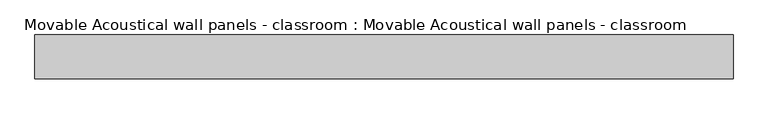
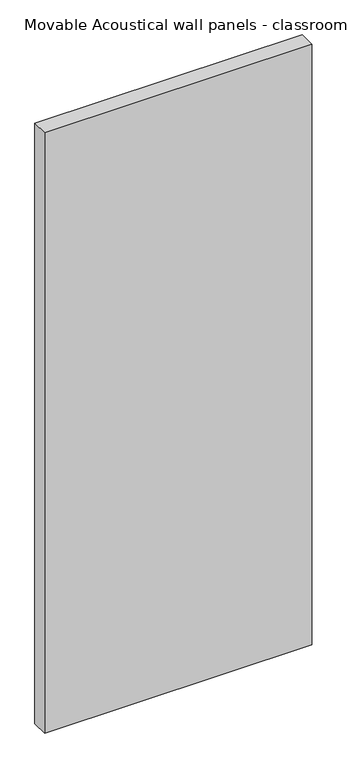
"""IFC4 building model written with IfcOpenShell, lengths in millimetres: proxy geometry, Movable Acoustical wall panels - classroom : Movable Acoustical wall panels - classroom."""

import ifcopenshell
import ifcopenshell.guid

model = None  # the IFC model being written
_history = None  # IfcOwnerHistory: only IFC2X3 demands one
_inside = {}  # id of a spatial element -> (the spatial element, [elements in it])
_under = {}  # id of a project, library or spatial element -> (it, [spatial elements below it])
_declared = {}  # id of a project -> (the project, [libraries it declares])
_typed = {}  # id of a type object -> (the type object, [elements of that type])
_made_of = {}  # id of a material, layer set ... -> (it, [elements and type objects made of it])


def new_model(schema):
    """Start an empty IFC model of exactly this schema.

    Asked for "IFC4X3", IfcOpenShell would pick the latest addendum, in which some entities
    have other attributes; the version numbers below select the first issue.
    IFC2X3 requires an IfcOwnerHistory on every rooted entity: one is made here for all.
    """
    global model, _history
    if schema == "IFC4X3":
        model = ifcopenshell.file(schema_version=(4, 3, 0, 0))
    else:
        model = ifcopenshell.file(schema=schema)
    _inside.clear()
    _under.clear()
    _declared.clear()
    _typed.clear()
    _made_of.clear()
    _history = None
    if model.schema == "IFC2X3":
        org = make("IfcOrganization", Name="unknown")
        user = make(
            "IfcPersonAndOrganization",
            ThePerson=make("IfcPerson", FamilyName="unknown"),
            TheOrganization=org,
        )
        app = make(
            "IfcApplication",
            ApplicationDeveloper=org,
            Version="unknown",
            ApplicationFullName="unknown",
            ApplicationIdentifier="unknown",
        )
        _history = make(
            "IfcOwnerHistory",
            OwningUser=user,
            OwningApplication=app,
            ChangeAction="ADDED",
            CreationDate=0,
        )
    return model


def make(cls, **values):
    """One entity of the class cls with the attributes given. An attribute that is None is left unset."""
    return model.create_entity(
        cls, **{name: value for name, value in values.items() if value is not None}
    )


def rooted(cls, **values):
    """An entity with a GlobalId (a new one), such as an element, a storey or a relation."""
    return make(cls, GlobalId=ifcopenshell.guid.new(), OwnerHistory=_history, **values)


def si_unit(unit_type, name, prefix=None):
    """IfcSIUnit, for example si_unit("LENGTHUNIT", "METRE", prefix="MILLI")."""
    return make("IfcSIUnit", UnitType=unit_type, Prefix=prefix, Name=name)


def assignment(units):
    """IfcUnitAssignment: the units of a project."""
    return None if units is None else make("IfcUnitAssignment", Units=units)


def point(xyz):
    """IfcCartesianPoint."""
    return None if xyz is None else make("IfcCartesianPoint", Coordinates=xyz)


def direction(xyz):
    """IfcDirection."""
    return None if xyz is None else make("IfcDirection", DirectionRatios=xyz)


def frame(location, z_axis=None, x_axis=None):
    """IfcAxis2Placement3D, a coordinate frame: its origin and axes. An axis left out is left unset."""
    return make(
        "IfcAxis2Placement3D",
        Location=point(location),
        Axis=direction(z_axis),
        RefDirection=direction(x_axis),
    )


def origin():
    """The frame at (0, 0, 0) with its axes left unset."""
    return frame((0.0, 0.0, 0.0))


def origin_with_axes():
    """The frame at (0, 0, 0) with the z axis (0, 0, 1) and the x axis (1, 0, 0) written out."""
    return frame((0.0, 0.0, 0.0), z_axis=(0.0, 0.0, 1.0), x_axis=(1.0, 0.0, 0.0))


def place(relative_to, where):
    """IfcLocalPlacement: puts the frame where relative to a parent placement (None: the world)."""
    return make(
        "IfcLocalPlacement", PlacementRelTo=relative_to, RelativePlacement=where
    )


def context(
    kind, dimensions, precision=None, world=None, true_north=None, identifier=None
):
    """IfcGeometricRepresentationContext, for example the 3D "Model" context."""
    return make(
        "IfcGeometricRepresentationContext",
        ContextIdentifier=identifier,
        ContextType=kind,
        CoordinateSpaceDimension=dimensions,
        Precision=precision,
        WorldCoordinateSystem=world,
        TrueNorth=true_north,
    )


def project(units=None, contexts=None):
    """IfcProject with its units and contexts."""
    return rooted(
        "IfcProject",
        Name="project",
        RepresentationContexts=contexts,
        UnitsInContext=assignment(units),
    )


def spatial(cls, under=None, at=None, **own):
    """A site, building, storey or space (cls), placed at a placement, below another one or the project."""
    s = rooted(cls, ObjectPlacement=at, **own)
    if under is not None:
        _under.setdefault(under.id(), (under, []))[1].append(s)
    return s


def polyline(points):
    """IfcPolyline through the points."""
    return make("IfcPolyline", Points=[point(p) for p in points])


def outline(outer, holes=None, kind="AREA"):
    """IfcArbitraryClosedProfileDef: a profile drawn as a closed curve; with holes, ...WithVoids."""
    if holes is None:
        return make("IfcArbitraryClosedProfileDef", ProfileType=kind, OuterCurve=outer)
    return make(
        "IfcArbitraryProfileDefWithVoids",
        ProfileType=kind,
        OuterCurve=outer,
        InnerCurves=holes,
    )


def extrude(swept, where, along, depth):
    """IfcExtrudedAreaSolid: the profile swept, set in the frame where, extruded along a direction by depth."""
    return make(
        "IfcExtrudedAreaSolid",
        SweptArea=swept,
        Position=where,
        ExtrudedDirection=direction(along),
        Depth=depth,
    )


def shape(context_of_items, identifier, shape_type, items):
    """IfcShapeRepresentation: the items that make up one representation, for example the "Body"."""
    return make(
        "IfcShapeRepresentation",
        ContextOfItems=context_of_items,
        RepresentationIdentifier=identifier,
        RepresentationType=shape_type,
        Items=items,
    )


def source(mapping_origin, context_of_items, identifier, shape_type, items):
    """IfcRepresentationMap: a shape defined once, which mapped items show again and again."""
    return make(
        "IfcRepresentationMap",
        MappingOrigin=mapping_origin,
        MappedRepresentation=shape(context_of_items, identifier, shape_type, items),
    )


def transform(
    local_origin,
    x_axis=None,
    y_axis=None,
    z_axis=None,
    scale=None,
    scale2=None,
    scale3=None,
    uniform=True,
):
    """IfcCartesianTransformationOperator3D, or its non-uniform kind. x_axis, y_axis, z_axis: its Axis1, 2, 3."""
    if uniform:
        return make(
            "IfcCartesianTransformationOperator3D",
            Axis1=direction(x_axis),
            Axis2=direction(y_axis),
            LocalOrigin=point(local_origin),
            Scale=scale,
            Axis3=direction(z_axis),
        )
    return make(
        "IfcCartesianTransformationOperator3DnonUniform",
        Axis1=direction(x_axis),
        Axis2=direction(y_axis),
        LocalOrigin=point(local_origin),
        Scale=scale,
        Axis3=direction(z_axis),
        Scale2=scale2,
        Scale3=scale3,
    )


def mapped(mapping_source, mapping_target):
    """IfcMappedItem: shows the shape of a source again, moved by a transform."""
    return make(
        "IfcMappedItem", MappingSource=mapping_source, MappingTarget=mapping_target
    )


def made_of(thing, what):
    """Note that an element or type object is made of a material, layer set ...; save() writes the relation."""
    if what is not None:
        _made_of.setdefault(what.id(), (what, []))[1].append(thing)
    return thing


def element(
    cls,
    number,
    at=None,
    inside=None,
    cuts=None,
    type_object=None,
    material=None,
    context=None,
    identifier="Body",
    shape_type=None,
    held_by="IfcProductDefinitionShape",
    body=None,
    shapes=None,
    **own,
):
    """One element of the class cls, such as IfcWall. Its Tag is "e" and its number.

    at: its placement. inside: the storey or other place that contains it. cuts: it is an
    opening in that element (IfcRelVoidsElement). A single representation is given by context,
    identifier, shape_type and body (its items); several are given by shapes. held_by: the class
    of the entity that holds the representations. save() writes the other relations.
    """
    e = rooted(cls, Tag="e%d" % number, ObjectPlacement=at, **own)
    if body is not None:
        shapes = [shape(context, identifier, shape_type, body)]
    if shapes is not None:
        e.Representation = make(held_by, Representations=shapes)
    if inside is not None:
        _inside.setdefault(inside.id(), (inside, []))[1].append(e)
    if cuts is not None:
        rooted(
            "IfcRelVoidsElement", RelatingBuildingElement=cuts, RelatedOpeningElement=e
        )
    if type_object is not None:
        _typed.setdefault(type_object.id(), (type_object, []))[1].append(e)
    return made_of(e, material)


def aggregate(whole, parts):
    """IfcRelAggregates: a whole, such as a stair, and the parts it consists of."""
    return rooted("IfcRelAggregates", RelatingObject=whole, RelatedObjects=parts)


def save(model, path):
    """Write the relations noted so far, then the file.

    IfcRelAggregates (storeys below a building ...), IfcRelContainedInSpatialStructure (elements
    in a storey), IfcRelDefinesByType, IfcRelAssociatesMaterial and IfcRelDeclares: one each for
    every whole, place, type object, material and project.
    """
    for whole, parts in _under.values():
        aggregate(whole, parts)
    for where, things in _inside.values():
        rooted(
            "IfcRelContainedInSpatialStructure",
            RelatedElements=things,
            RelatingStructure=where,
        )
    for kind, things in _typed.values():
        rooted("IfcRelDefinesByType", RelatedObjects=things, RelatingType=kind)
    for what, things in _made_of.values():
        rooted("IfcRelAssociatesMaterial", RelatedObjects=things, RelatingMaterial=what)
    for by, libraries in _declared.values():
        rooted("IfcRelDeclares", RelatingContext=by, RelatedDefinitions=libraries)
    model.write(path)


def movable_acoustical_wall_panels_classroom_movable_acoustical_c505f3ae(model_context):
    return source(origin(), model_context, "Body", "SweptSolid", [
        extrude(outline(polyline([(1219.2, 0.0), (0.0, 0.0), (0.0, 76.2), (1219.2, 76.2), (1219.2, 0.0)])), origin_with_axes(), (0.0, 0.0, 1.0), 2895.6),
    ])


if __name__ == "__main__":
    model = new_model("IFC4")
    model_context = context("Model", 3, world=origin())
    ifc_project = project(units=[si_unit("LENGTHUNIT", "METRE", prefix="MILLI")], contexts=[model_context])
    site = spatial("IfcSite", under=ifc_project)
    building = spatial("IfcBuilding", under=site)
    placement = place(None, origin())
    movable_acoustical_wall_panels_classroom_movable_acoustical_shape = movable_acoustical_wall_panels_classroom_movable_acoustical_c505f3ae(model_context)
    element("IfcBuildingElementProxy", 1, Name="Movable Acoustical wall panels - classroom : Movable Acoustical wall panels - classroom", ObjectType="Movable Acoustical wall panels - classroom : Movable Acoustical wall panels - classroom", at=placement, inside=building, context=model_context, shape_type="MappedRepresentation", body=[
        mapped(movable_acoustical_wall_panels_classroom_movable_acoustical_shape, transform((0.0, 0.0, 0.0), x_axis=(1.0, 0.0, 0.0), y_axis=(0.0, 1.0, 0.0), z_axis=(0.0, 0.0, 1.0))),
    ])
    save(model, "model.ifc")
